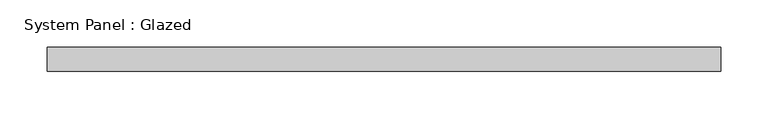
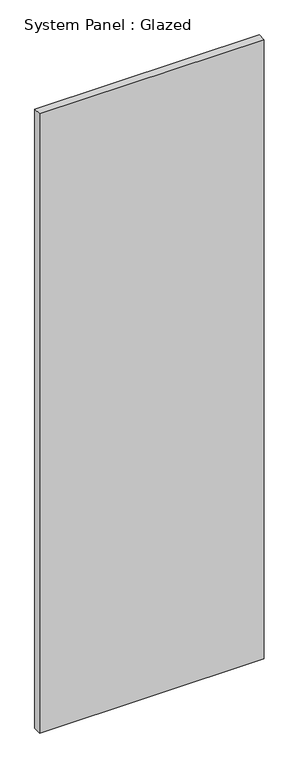
"""IFC4 building model written with IfcOpenShell, lengths in millimetres: plate geometry, System Panel : Glazed."""

import ifcopenshell
import ifcopenshell.guid

model = None  # the IFC model being written
_history = None  # IfcOwnerHistory: only IFC2X3 demands one
_inside = {}  # id of a spatial element -> (the spatial element, [elements in it])
_under = {}  # id of a project, library or spatial element -> (it, [spatial elements below it])
_declared = {}  # id of a project -> (the project, [libraries it declares])
_typed = {}  # id of a type object -> (the type object, [elements of that type])
_made_of = {}  # id of a material, layer set ... -> (it, [elements and type objects made of it])


def new_model(schema):
    """Start an empty IFC model of exactly this schema.

    Asked for "IFC4X3", IfcOpenShell would pick the latest addendum, in which some entities
    have other attributes; the version numbers below select the first issue.
    IFC2X3 requires an IfcOwnerHistory on every rooted entity: one is made here for all.
    """
    global model, _history
    if schema == "IFC4X3":
        model = ifcopenshell.file(schema_version=(4, 3, 0, 0))
    else:
        model = ifcopenshell.file(schema=schema)
    _inside.clear()
    _under.clear()
    _declared.clear()
    _typed.clear()
    _made_of.clear()
    _history = None
    if model.schema == "IFC2X3":
        org = make("IfcOrganization", Name="unknown")
        user = make(
            "IfcPersonAndOrganization",
            ThePerson=make("IfcPerson", FamilyName="unknown"),
            TheOrganization=org,
        )
        app = make(
            "IfcApplication",
            ApplicationDeveloper=org,
            Version="unknown",
            ApplicationFullName="unknown",
            ApplicationIdentifier="unknown",
        )
        _history = make(
            "IfcOwnerHistory",
            OwningUser=user,
            OwningApplication=app,
            ChangeAction="ADDED",
            CreationDate=0,
        )
    return model


def make(cls, **values):
    """One entity of the class cls with the attributes given. An attribute that is None is left unset."""
    return model.create_entity(
        cls, **{name: value for name, value in values.items() if value is not None}
    )


def rooted(cls, **values):
    """An entity with a GlobalId (a new one), such as an element, a storey or a relation."""
    return make(cls, GlobalId=ifcopenshell.guid.new(), OwnerHistory=_history, **values)


def si_unit(unit_type, name, prefix=None):
    """IfcSIUnit, for example si_unit("LENGTHUNIT", "METRE", prefix="MILLI")."""
    return make("IfcSIUnit", UnitType=unit_type, Prefix=prefix, Name=name)


def assignment(units):
    """IfcUnitAssignment: the units of a project."""
    return None if units is None else make("IfcUnitAssignment", Units=units)


def point(xyz):
    """IfcCartesianPoint."""
    return None if xyz is None else make("IfcCartesianPoint", Coordinates=xyz)


def direction(xyz):
    """IfcDirection."""
    return None if xyz is None else make("IfcDirection", DirectionRatios=xyz)


def frame(location, z_axis=None, x_axis=None):
    """IfcAxis2Placement3D, a coordinate frame: its origin and axes. An axis left out is left unset."""
    return make(
        "IfcAxis2Placement3D",
        Location=point(location),
        Axis=direction(z_axis),
        RefDirection=direction(x_axis),
    )


def origin():
    """The frame at (0, 0, 0) with its axes left unset."""
    return frame((0.0, 0.0, 0.0))


def origin_with_axes():
    """The frame at (0, 0, 0) with the z axis (0, 0, 1) and the x axis (1, 0, 0) written out."""
    return frame((0.0, 0.0, 0.0), z_axis=(0.0, 0.0, 1.0), x_axis=(1.0, 0.0, 0.0))


def place(relative_to, where):
    """IfcLocalPlacement: puts the frame where relative to a parent placement (None: the world)."""
    return make(
        "IfcLocalPlacement", PlacementRelTo=relative_to, RelativePlacement=where
    )


def context(
    kind, dimensions, precision=None, world=None, true_north=None, identifier=None
):
    """IfcGeometricRepresentationContext, for example the 3D "Model" context."""
    return make(
        "IfcGeometricRepresentationContext",
        ContextIdentifier=identifier,
        ContextType=kind,
        CoordinateSpaceDimension=dimensions,
        Precision=precision,
        WorldCoordinateSystem=world,
        TrueNorth=true_north,
    )


def project(units=None, contexts=None):
    """IfcProject with its units and contexts."""
    return rooted(
        "IfcProject",
        Name="project",
        RepresentationContexts=contexts,
        UnitsInContext=assignment(units),
    )


def spatial(cls, under=None, at=None, **own):
    """A site, building, storey or space (cls), placed at a placement, below another one or the project."""
    s = rooted(cls, ObjectPlacement=at, **own)
    if under is not None:
        _under.setdefault(under.id(), (under, []))[1].append(s)
    return s


def polyline(points):
    """IfcPolyline through the points."""
    return make("IfcPolyline", Points=[point(p) for p in points])


def outline(outer, holes=None, kind="AREA"):
    """IfcArbitraryClosedProfileDef: a profile drawn as a closed curve; with holes, ...WithVoids."""
    if holes is None:
        return make("IfcArbitraryClosedProfileDef", ProfileType=kind, OuterCurve=outer)
    return make(
        "IfcArbitraryProfileDefWithVoids",
        ProfileType=kind,
        OuterCurve=outer,
        InnerCurves=holes,
    )


def extrude(swept, where, along, depth):
    """IfcExtrudedAreaSolid: the profile swept, set in the frame where, extruded along a direction by depth."""
    return make(
        "IfcExtrudedAreaSolid",
        SweptArea=swept,
        Position=where,
        ExtrudedDirection=direction(along),
        Depth=depth,
    )


def shape(context_of_items, identifier, shape_type, items):
    """IfcShapeRepresentation: the items that make up one representation, for example the "Body"."""
    return make(
        "IfcShapeRepresentation",
        ContextOfItems=context_of_items,
        RepresentationIdentifier=identifier,
        RepresentationType=shape_type,
        Items=items,
    )


def source(mapping_origin, context_of_items, identifier, shape_type, items):
    """IfcRepresentationMap: a shape defined once, which mapped items show again and again."""
    return make(
        "IfcRepresentationMap",
        MappingOrigin=mapping_origin,
        MappedRepresentation=shape(context_of_items, identifier, shape_type, items),
    )


def transform(
    local_origin,
    x_axis=None,
    y_axis=None,
    z_axis=None,
    scale=None,
    scale2=None,
    scale3=None,
    uniform=True,
):
    """IfcCartesianTransformationOperator3D, or its non-uniform kind. x_axis, y_axis, z_axis: its Axis1, 2, 3."""
    if uniform:
        return make(
            "IfcCartesianTransformationOperator3D",
            Axis1=direction(x_axis),
            Axis2=direction(y_axis),
            LocalOrigin=point(local_origin),
            Scale=scale,
            Axis3=direction(z_axis),
        )
    return make(
        "IfcCartesianTransformationOperator3DnonUniform",
        Axis1=direction(x_axis),
        Axis2=direction(y_axis),
        LocalOrigin=point(local_origin),
        Scale=scale,
        Axis3=direction(z_axis),
        Scale2=scale2,
        Scale3=scale3,
    )


def mapped(mapping_source, mapping_target):
    """IfcMappedItem: shows the shape of a source again, moved by a transform."""
    return make(
        "IfcMappedItem", MappingSource=mapping_source, MappingTarget=mapping_target
    )


def made_of(thing, what):
    """Note that an element or type object is made of a material, layer set ...; save() writes the relation."""
    if what is not None:
        _made_of.setdefault(what.id(), (what, []))[1].append(thing)
    return thing


def element(
    cls,
    number,
    at=None,
    inside=None,
    cuts=None,
    type_object=None,
    material=None,
    context=None,
    identifier="Body",
    shape_type=None,
    held_by="IfcProductDefinitionShape",
    body=None,
    shapes=None,
    **own,
):
    """One element of the class cls, such as IfcWall. Its Tag is "e" and its number.

    at: its placement. inside: the storey or other place that contains it. cuts: it is an
    opening in that element (IfcRelVoidsElement). A single representation is given by context,
    identifier, shape_type and body (its items); several are given by shapes. held_by: the class
    of the entity that holds the representations. save() writes the other relations.
    """
    e = rooted(cls, Tag="e%d" % number, ObjectPlacement=at, **own)
    if body is not None:
        shapes = [shape(context, identifier, shape_type, body)]
    if shapes is not None:
        e.Representation = make(held_by, Representations=shapes)
    if inside is not None:
        _inside.setdefault(inside.id(), (inside, []))[1].append(e)
    if cuts is not None:
        rooted(
            "IfcRelVoidsElement", RelatingBuildingElement=cuts, RelatedOpeningElement=e
        )
    if type_object is not None:
        _typed.setdefault(type_object.id(), (type_object, []))[1].append(e)
    return made_of(e, material)


def aggregate(whole, parts):
    """IfcRelAggregates: a whole, such as a stair, and the parts it consists of."""
    return rooted("IfcRelAggregates", RelatingObject=whole, RelatedObjects=parts)


def save(model, path):
    """Write the relations noted so far, then the file.

    IfcRelAggregates (storeys below a building ...), IfcRelContainedInSpatialStructure (elements
    in a storey), IfcRelDefinesByType, IfcRelAssociatesMaterial and IfcRelDeclares: one each for
    every whole, place, type object, material and project.
    """
    for whole, parts in _under.values():
        aggregate(whole, parts)
    for where, things in _inside.values():
        rooted(
            "IfcRelContainedInSpatialStructure",
            RelatedElements=things,
            RelatingStructure=where,
        )
    for kind, things in _typed.values():
        rooted("IfcRelDefinesByType", RelatedObjects=things, RelatingType=kind)
    for what, things in _made_of.values():
        rooted("IfcRelAssociatesMaterial", RelatedObjects=things, RelatingMaterial=what)
    for by, libraries in _declared.values():
        rooted("IfcRelDeclares", RelatingContext=by, RelatedDefinitions=libraries)
    model.write(path)


def system_panel_glazed_e409c158(model_context):
    return source(origin(), model_context, "Body", "SweptSolid", [
        extrude(outline(polyline([(356.6583333, 19.05), (-356.6583333, 19.05), (-356.6583333, 44.45), (356.6583333, 44.45), (356.6583333, 19.05)])), origin_with_axes(), (0.0, 0.0, 1.0), 2076.45),
    ])


if __name__ == "__main__":
    model = new_model("IFC4")
    model_context = context("Model", 3, world=origin())
    ifc_project = project(units=[si_unit("LENGTHUNIT", "METRE", prefix="MILLI")], contexts=[model_context])
    site = spatial("IfcSite", under=ifc_project)
    building = spatial("IfcBuilding", under=site)
    placement = place(None, origin())
    system_panel_glazed_shape = system_panel_glazed_e409c158(model_context)
    element("IfcPlate", 1, ObjectType="System Panel : Glazed", at=placement, inside=building, context=model_context, shape_type="MappedRepresentation", body=[
        mapped(system_panel_glazed_shape, transform((0.0, 0.0, 0.0), x_axis=(1.0, 0.0, 0.0), y_axis=(0.0, 1.0, 0.0), z_axis=(0.0, 0.0, 1.0))),
    ])
    save(model, "model.ifc")
